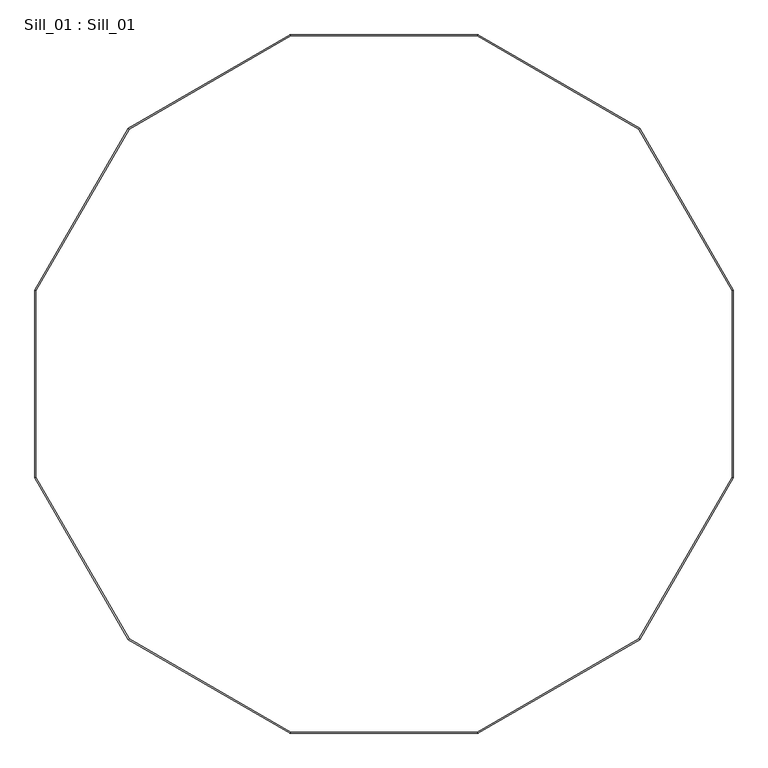
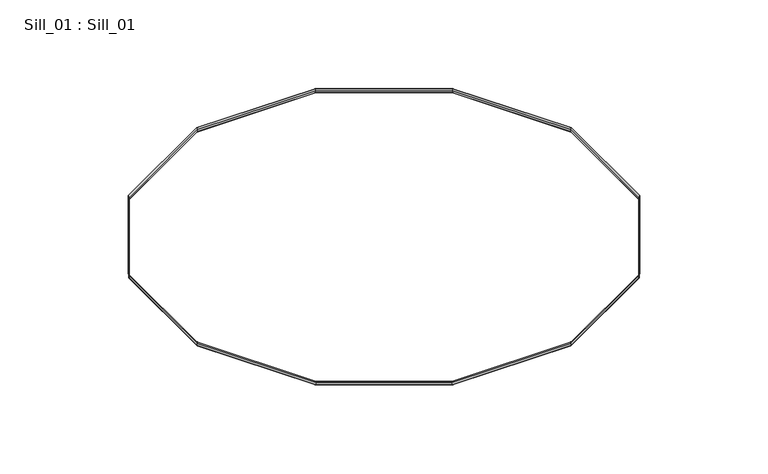
"""IFC4 building model written with IfcOpenShell, lengths in millimetres: proxy geometry, Sill_01 : Sill_01."""

from ifc_helpers import new_model, si_unit, origin, place, context, project, spatial, faceted_brep, source, transform, mapped, element, save


def sill_01_sill_01_2ea021ed(model_context):
    return source(origin(), model_context, "Body", "Brep", [
        faceted_brep([(9771.8410036, 10721.7887807, -107.5866884), (9778.3633797, 10697.4469419, -180.6332352), (5433.8801305, 8189.1583685, -180.6332352), (5416.0606678, 8206.9778313, -107.5866884), (9772.2413276, 10720.2947512, -107.0888219), (5417.1543733, 8205.8841258, -107.0888219), (9778.785352, 10695.8721196, -180.377817), (5435.0329805, 8188.0055186, -180.377817), (9778.7830854, 10695.8805785, -277.3106566), (5435.0267881, 8188.011711, -277.3106566), (9776.3766231, 10704.8616183, -286.290129), (5428.4522107, 8194.5862884, -286.290129), (9776.0782738, 10705.9750729, -285.17648), (5427.6371053, 8195.4013937, -285.17648), (9778.3611343, 10697.4553216, -276.6582156), (5433.8739961, 8189.1645029, -276.6582156), (2925.5915572, 3844.6751194, -180.6332352), (2901.2497184, 3851.1974954, -107.5866884), (2902.7437478, 3850.7971715, -107.0888219), (2927.1663795, 3844.253147, -180.377817), (2927.1579205, 3844.2554136, -277.3106566), (2918.1768807, 3846.661876, -286.290129), (2917.0634262, 3846.9602252, -285.17648), (2925.5831774, 3844.6773647, -276.6582156), (2925.5915572, -1171.9020273, -180.6332352), (2901.2497184, -1178.4244034, -107.5866884), (2902.7437478, -1178.0240794, -107.0888219), (2927.1663795, -1171.480055, -180.377817), (2927.1579205, -1171.4823215, -277.3106566), (2918.1768807, -1173.8887839, -286.290129), (2917.0634262, -1174.1871332, -285.17648), (2925.5831774, -1171.9042727, -276.6582156), (5433.8801305, -5516.3852764, -180.6332352), (5416.0606678, -5534.2047392, -107.5866884), (5417.1543733, -5533.1110337, -107.0888219), (5435.0329805, -5515.2324265, -180.377817), (5435.0267881, -5515.2386189, -277.3106566), (5428.4522107, -5521.8131963, -286.290129), (5427.6371053, -5522.6283016, -285.17648), (5433.8739961, -5516.3914108, -276.6582156), (9778.3633797, -8024.6738498, -180.6332352), (9771.8410036, -8049.0156886, -107.5866884), (9772.2413276, -8047.5216592, -107.0888219), (9778.785352, -8023.0990275, -180.377817), (9778.7830854, -8023.1074865, -277.3106566), (9776.3766231, -8032.0885263, -286.290129), (9776.0782738, -8033.2019808, -285.17648), (9778.3611343, -8024.6822296, -276.6582156), (14794.9405264, -8024.6738498, -180.6332352), (14801.4629024, -8049.0156886, -107.5866884), (14801.0625784, -8047.5216592, -107.0888219), (14794.518554, -8023.0990275, -180.377817), (14794.5208206, -8023.1074865, -277.3106566), (14796.9272829, -8032.0885263, -286.290129), (14797.2256322, -8033.2019808, -285.17648), (14794.9427717, -8024.6822296, -276.6582156), (19139.4237755, -5516.3852764, -180.6332352), (19157.2432383, -5534.2047392, -107.5866884), (19156.1495328, -5533.1110337, -107.0888219), (19138.2709255, -5515.2324265, -180.377817), (19138.277118, -5515.2386189, -277.3106566), (19144.8516954, -5521.8131963, -286.290129), (19145.6668007, -5522.6283016, -285.17648), (19139.4299099, -5516.3914108, -276.6582156), (21647.7123488, -1171.9020273, -180.6332352), (21672.0541877, -1178.4244034, -107.5866884), (21670.5601582, -1178.0240794, -107.0888219), (21646.1375265, -1171.480055, -180.377817), (21646.1459855, -1171.4823215, -277.3106566), (21655.1270253, -1173.8887839, -286.290129), (21656.2404799, -1174.1871332, -285.17648), (21647.7207286, -1171.9042727, -276.6582156), (21647.7123488, 3844.6751194, -180.6332352), (21672.0541877, 3851.1974954, -107.5866884), (21670.5601582, 3850.7971715, -107.0888219), (21646.1375265, 3844.253147, -180.377817), (21646.1459855, 3844.2554136, -277.3106566), (21655.1270253, 3846.661876, -286.290129), (21656.2404799, 3846.9602252, -285.17648), (21647.7207286, 3844.6773647, -276.6582156), (19139.4237755, 8189.1583685, -180.6332352), (19157.2432383, 8206.9778313, -107.5866884), (19156.1495328, 8205.8841258, -107.0888219), (19138.2709255, 8188.0055186, -180.377817), (19138.277118, 8188.011711, -277.3106566), (19144.8516954, 8194.5862884, -286.290129), (19145.6668007, 8195.4013937, -285.17648), (19139.4299099, 8189.1645029, -276.6582156), (14794.9405264, 10697.4469419, -180.6332352), (14801.4629024, 10721.7887807, -107.5866884), (14801.0625784, 10720.2947512, -107.0888219), (14794.518554, 10695.8721196, -180.377817), (14794.5208206, 10695.8805785, -277.3106566), (14796.9272829, 10704.8616183, -286.290129), (14797.2256322, 10705.9750729, -285.17648), (14794.9427717, 10697.4553216, -276.6582156)], [[[0, 1, 2, 3]], [[4, 0, 3, 5]], [[6, 4, 5, 7]], [[8, 6, 7, 9]], [[10, 8, 9, 11]], [[12, 10, 11, 13]], [[14, 12, 13, 15]], [[1, 14, 15, 2]], [[3, 2, 16, 17]], [[5, 3, 17, 18]], [[7, 5, 18, 19]], [[9, 7, 19, 20]], [[11, 9, 20, 21]], [[13, 11, 21, 22]], [[15, 13, 22, 23]], [[2, 15, 23, 16]], [[17, 16, 24, 25]], [[18, 17, 25, 26]], [[19, 18, 26, 27]], [[20, 19, 27, 28]], [[21, 20, 28, 29]], [[22, 21, 29, 30]], [[23, 22, 30, 31]], [[16, 23, 31, 24]], [[25, 24, 32, 33]], [[26, 25, 33, 34]], [[27, 26, 34, 35]], [[28, 27, 35, 36]], [[29, 28, 36, 37]], [[30, 29, 37, 38]], [[31, 30, 38, 39]], [[24, 31, 39, 32]], [[33, 32, 40, 41]], [[34, 33, 41, 42]], [[35, 34, 42, 43]], [[36, 35, 43, 44]], [[37, 36, 44, 45]], [[38, 37, 45, 46]], [[39, 38, 46, 47]], [[32, 39, 47, 40]], [[41, 40, 48, 49]], [[42, 41, 49, 50]], [[43, 42, 50, 51]], [[44, 43, 51, 52]], [[45, 44, 52, 53]], [[46, 45, 53, 54]], [[47, 46, 54, 55]], [[40, 47, 55, 48]], [[49, 48, 56, 57]], [[50, 49, 57, 58]], [[51, 50, 58, 59]], [[52, 51, 59, 60]], [[53, 52, 60, 61]], [[54, 53, 61, 62]], [[55, 54, 62, 63]], [[48, 55, 63, 56]], [[57, 56, 64, 65]], [[58, 57, 65, 66]], [[59, 58, 66, 67]], [[60, 59, 67, 68]], [[61, 60, 68, 69]], [[62, 61, 69, 70]], [[63, 62, 70, 71]], [[56, 63, 71, 64]], [[65, 64, 72, 73]], [[66, 65, 73, 74]], [[67, 66, 74, 75]], [[68, 67, 75, 76]], [[69, 68, 76, 77]], [[70, 69, 77, 78]], [[71, 70, 78, 79]], [[64, 71, 79, 72]], [[73, 72, 80, 81]], [[74, 73, 81, 82]], [[75, 74, 82, 83]], [[76, 75, 83, 84]], [[77, 76, 84, 85]], [[78, 77, 85, 86]], [[79, 78, 86, 87]], [[72, 79, 87, 80]], [[81, 80, 88, 89]], [[82, 81, 89, 90]], [[83, 82, 90, 91]], [[84, 83, 91, 92]], [[85, 84, 92, 93]], [[86, 85, 93, 94]], [[87, 86, 94, 95]], [[80, 87, 95, 88]], [[89, 88, 1, 0]], [[90, 89, 0, 4]], [[91, 90, 4, 6]], [[92, 91, 6, 8]], [[93, 92, 8, 10]], [[94, 93, 10, 12]], [[95, 94, 12, 14]], [[88, 95, 14, 1]]]),
    ])


if __name__ == "__main__":
    model = new_model("IFC4")
    model_context = context("Model", 3, world=origin())
    ifc_project = project(units=[si_unit("LENGTHUNIT", "METRE", prefix="MILLI")], contexts=[model_context])
    site = spatial("IfcSite", under=ifc_project)
    building = spatial("IfcBuilding", under=site)
    placement = place(None, origin())
    sill_01_sill_01_shape = sill_01_sill_01_2ea021ed(model_context)
    element("IfcBuildingElementProxy", 1, Name="Sill_01 : Sill_01", ObjectType="Sill_01 : Sill_01", at=placement, inside=building, context=model_context, shape_type="MappedRepresentation", body=[
        mapped(sill_01_sill_01_shape, transform((0.0, 0.0, 0.0), x_axis=(1.0, 0.0, 0.0), y_axis=(0.0, 1.0, 0.0), z_axis=(0.0, 0.0, 1.0))),
    ])
    save(model, "model.ifc")
